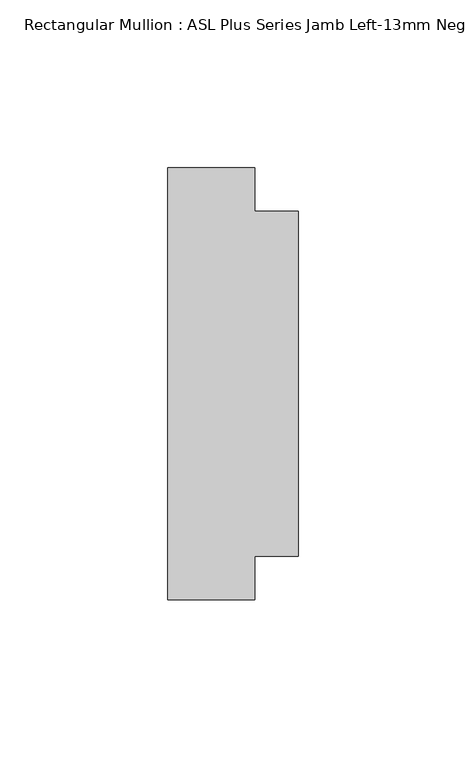
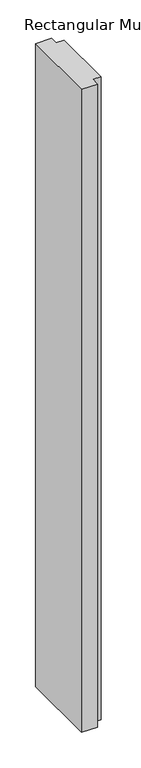
"""IFC4 building model written with IfcOpenShell, lengths in millimetres: member geometry, Rectangular Mullion : ASL Plus Series Jamb Left-13mm Negative Detail-90mm Stud."""

from ifc_helpers import new_model, si_unit, frame, origin, place, context, project, spatial, polyline, outline, extrude, source, transform, mapped, element, save


def rectangular_mullion_asl_plus_series_jamb_left_13mm_negative_11880b5b(model_context):
    return source(origin(), model_context, "Body", "SweptSolid", [
        extrude(outline(polyline([(-39.0, 64.5), (-13.0, 64.5), (-13.0, 51.5), (0.0, 51.5), (0.0, -51.5), (-13.0, -51.5), (-13.0, -64.5), (-39.0, -64.5), (-39.0, 64.5)])), frame((0.0, 0.0, -1100.0), z_axis=(0.0, 0.0, 1.0), x_axis=(1.0, 0.0, 0.0)), (0.0, 0.0, 1.0), 1100.0),
    ])


if __name__ == "__main__":
    model = new_model("IFC4")
    model_context = context("Model", 3, world=origin())
    ifc_project = project(units=[si_unit("LENGTHUNIT", "METRE", prefix="MILLI")], contexts=[model_context])
    site = spatial("IfcSite", under=ifc_project)
    building = spatial("IfcBuilding", under=site)
    placement = place(None, origin())
    rectangular_mullion_asl_plus_series_jamb_left_13mm_negative_shape = rectangular_mullion_asl_plus_series_jamb_left_13mm_negative_11880b5b(model_context)
    element("IfcMember", 1, ObjectType="Rectangular Mullion : ASL Plus Series Jamb Left-13mm Negative Detail-90mm Stud", at=placement, inside=building, context=model_context, shape_type="MappedRepresentation", body=[
        mapped(rectangular_mullion_asl_plus_series_jamb_left_13mm_negative_shape, transform((0.0, 0.0, 0.0), x_axis=(1.0, 0.0, 0.0), y_axis=(0.0, 1.0, 0.0), z_axis=(0.0, 0.0, 1.0))),
    ])
    save(model, "model.ifc")
